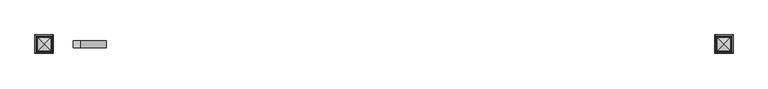
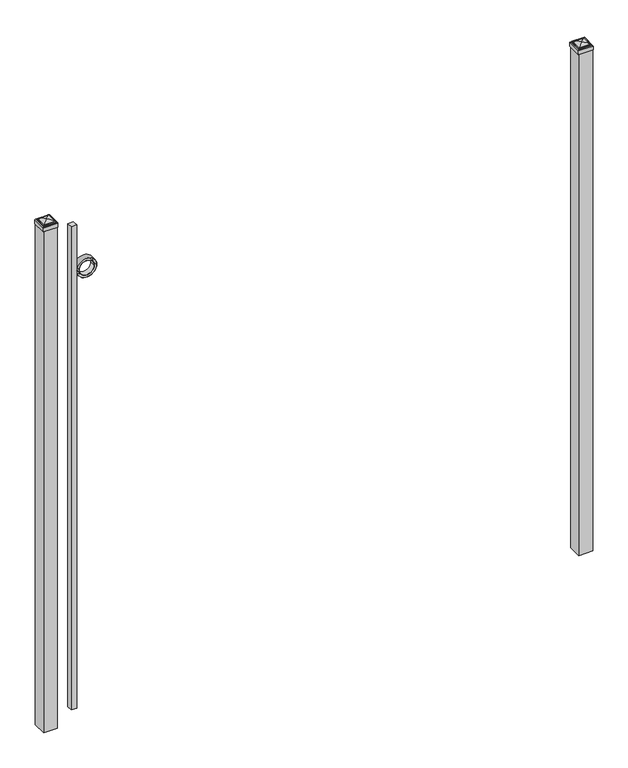
"""IFC4 building model written with IfcOpenShell, lengths in millimetres: railing geometry."""

from ifc_helpers import new_model, si_unit, point, frame, frame_2d, origin, origin_with_axes, place, context, project, spatial, polyline, circle_curve, ellipse_curve, trimmed, segment, composite_curve, outline, extrude, source, transform, mapped, element, save
from ifc_brep_helpers import plane_surface, cylinder_surface, advanced_brep


def railing_fb81a34f(model_context):
    return source(origin(), model_context, "Body", "SolidModel", [
        extrude(outline(polyline([(-23766.6899936, 7333.619541), (-23741.2899936, 7333.619541), (-23741.2899936, 7308.219541), (-23766.6899936, 7308.219541), (-23766.6899936, 7333.619541)])), frame((0.0, 0.0, 50.8), z_axis=(0.0, 0.0, 1.0), x_axis=(1.0, 0.0, 0.0)), (0.0, 0.0, 1.0), 2328.0579232),
        extrude(outline(composite_curve([segment(trimmed(circle_curve(frame_2d((2156.5853669, -23695.1942595)), 45.6988591), [point((2156.5853669, -23649.4954004))], [point((2156.5853669, -23740.8931186))], False, "CARTESIAN"), True, "CONTINUOUS"), segment(trimmed(circle_curve(frame_2d((2156.5853669, -23695.1942595)), 45.6988591), [point((2156.5853669, -23740.8931186))], [point((2156.5853669, -23649.4954004))], False, "CARTESIAN"), True, "CONTINUOUS")], self_intersect=False), holes=[composite_curve([segment(trimmed(circle_curve(frame_2d((2156.5853669, -23695.1942595)), 44.101539), [point((2156.5853669, -23651.0927205))], [point((2156.5853669, -23739.2957985))], True, "CARTESIAN"), True, "CONTINUOUS"), segment(trimmed(circle_curve(frame_2d((2156.5853669, -23695.1942595)), 44.101539), [point((2156.5853669, -23739.2957985))], [point((2156.5853669, -23651.0927205))], True, "CARTESIAN"), True, "CONTINUOUS")], self_intersect=False)]), frame((0.0, 7308.219541, 0.0), z_axis=(0.0, 1.0, 0.0), x_axis=(0.0, 0.0, 1.0)), (0.0, 0.0, 1.0), 25.4),
        extrude(outline(composite_curve([segment(trimmed(circle_curve(frame_2d((2156.5853669, -23695.1942595)), 34.6370762), [point((2156.5853669, -23660.5571833))], [point((2156.5853669, -23729.8313357))], False, "CARTESIAN"), True, "CONTINUOUS"), segment(trimmed(circle_curve(frame_2d((2156.5853669, -23695.1942595)), 34.6370762), [point((2156.5853669, -23729.8313357))], [point((2156.5853669, -23660.5571833))], False, "CARTESIAN"), True, "CONTINUOUS")], self_intersect=False), holes=[composite_curve([segment(trimmed(circle_curve(frame_2d((2156.5853669, -23695.1942595)), 33.0443887), [point((2156.5853669, -23662.1498708))], [point((2156.5853669, -23728.2386482))], True, "CARTESIAN"), True, "CONTINUOUS"), segment(trimmed(circle_curve(frame_2d((2156.5853669, -23695.1942595)), 33.0443887), [point((2156.5853669, -23728.2386482))], [point((2156.5853669, -23662.1498708))], True, "CARTESIAN"), True, "CONTINUOUS")], self_intersect=False)]), frame((0.0, 7308.219541, 0.0), z_axis=(0.0, 1.0, 0.0), x_axis=(0.0, 0.0, 1.0)), (0.0, 0.0, 1.0), 25.4),
        extrude(outline(polyline([(-21401.3149936, 7352.669541), (-21401.3149936, 7289.169541), (-21464.8149936, 7289.169541), (-21464.8149936, 7352.669541), (-21401.3149936, 7352.669541)])), origin_with_axes(), (0.0, 0.0, 1.0), 2414.5875),
        advanced_brep(
        [(-21466.4024936, 7354.257041, 2432.84375), (-21466.4024936, 7354.257041, 2414.5875), (-21466.4024936, 7287.582041, 2414.5875), (-21466.4024936, 7287.582041, 2432.84375), (-21464.0212436, 7351.875791, 2435.225), (-21464.0212436, 7289.963291, 2435.225), (-21461.6399936, 7349.494541, 2437.60625), (-21461.6399936, 7349.494541, 2435.225), (-21461.6399936, 7292.344541, 2435.225), (-21461.6399936, 7292.344541, 2437.60625), (-21459.2587436, 7347.113291, 2439.9875), (-21459.2587436, 7294.725791, 2439.9875), (-21433.0649936, 7320.919541, 2446.3375), (-21456.8774936, 7344.732041, 2439.9875), (-21456.8774936, 7297.107041, 2439.9875), (-21399.7274936, 7287.582041, 2414.5875), (-21399.7274936, 7287.582041, 2432.84375), (-21402.1087436, 7289.963291, 2435.225), (-21404.4899936, 7292.344541, 2435.225), (-21404.4899936, 7292.344541, 2437.60625), (-21406.8712436, 7294.725791, 2439.9875), (-21409.2524936, 7297.107041, 2439.9875), (-21399.7274936, 7354.257041, 2414.5875), (-21399.7274936, 7354.257041, 2432.84375), (-21402.1087436, 7351.875791, 2435.225), (-21404.4899936, 7349.494541, 2435.225), (-21404.4899936, 7349.494541, 2437.60625), (-21406.8712436, 7347.113291, 2439.9875), (-21409.2524936, 7344.732041, 2439.9875)],
        [
            (0, 1),
            (1, 2),
            (2, 3),
            (3, 0),
            (4, 0, ellipse_curve(frame((-21464.0212436, 7351.875791, 2432.84375), z_axis=(-0.70710678118655, -0.7071067811865449, 0.0), x_axis=(-0.7071067811865448, 0.7071067811865501, 0.0)), 3.367596, 2.38125)),
            (3, 5, ellipse_curve(frame((-21464.0212436, 7289.963291, 2432.84375), z_axis=(-0.7071067811865449, 0.70710678118655, 0.0), x_axis=(0.7071067811865499, 0.707106781186545, 0.0)), 3.367596, 2.38125)),
            (5, 4),
            (6, 7),
            (7, 8),
            (8, 9),
            (9, 6),
            (10, 6, ellipse_curve(frame((-21459.2587436, 7347.113291, 2437.60625), z_axis=(-0.70710678118655, -0.7071067811865449, 0.0), x_axis=(-0.7071067811865448, 0.7071067811865501, 0.0)), 3.367596, 2.38125)),
            (9, 11, ellipse_curve(frame((-21459.2587436, 7294.725791, 2437.60625), z_axis=(-0.7071067811865449, 0.70710678118655, 0.0), x_axis=(0.7071067811865499, 0.707106781186545, 0.0)), 3.367596, 2.38125)),
            (11, 10),
            (12, 13, ellipse_curve(frame((-21433.0649936, 7320.919541, 2398.5140625), z_axis=(-0.70710678118655, -0.7071067811865449, 0.0), x_axis=(-0.7071067811865448, 0.7071067811865501, 0.0)), 67.6325539, 47.8234375)),
            (13, 14),
            (14, 12, ellipse_curve(frame((-21433.0649936, 7320.919541, 2398.5140625), z_axis=(-0.7071067811865449, 0.70710678118655, 0.0), x_axis=(0.7071067811865499, 0.707106781186545, 0.0)), 67.6325539, 47.8234375)),
            (2, 15),
            (15, 16),
            (16, 3),
            (16, 17, ellipse_curve(frame((-21402.1087436, 7289.963291, 2432.84375), z_axis=(-0.70710678118655, -0.707106781186545, 0.0), x_axis=(-0.707106781186545, 0.70710678118655, 0.0)), 3.367596, 2.38125)),
            (17, 5),
            (8, 18),
            (18, 19),
            (19, 9),
            (19, 20, ellipse_curve(frame((-21406.8712436, 7294.725791, 2437.60625), z_axis=(-0.70710678118655, -0.707106781186545, 0.0), x_axis=(-0.707106781186545, 0.70710678118655, 0.0)), 3.367596, 2.38125)),
            (20, 11),
            (14, 21),
            (21, 12, ellipse_curve(frame((-21433.0649936, 7320.919541, 2398.5140625), z_axis=(-0.70710678118655, -0.707106781186545, 0.0), x_axis=(-0.707106781186545, 0.70710678118655, 0.0)), 67.6325539, 47.8234375)),
            (15, 22),
            (22, 23),
            (23, 16),
            (23, 24, ellipse_curve(frame((-21402.1087436, 7351.875791, 2432.84375), z_axis=(0.707106781186545, -0.7071067811865499, 0.0), x_axis=(-0.7071067811865497, -0.7071067811865452, 0.0)), 3.367596, 2.38125)),
            (24, 17),
            (18, 25),
            (25, 26),
            (26, 19),
            (26, 27, ellipse_curve(frame((-21406.8712436, 7347.113291, 2437.60625), z_axis=(0.707106781186545, -0.7071067811865499, 0.0), x_axis=(-0.7071067811865497, -0.7071067811865452, 0.0)), 3.367596, 2.38125)),
            (27, 20),
            (21, 28),
            (28, 12, ellipse_curve(frame((-21433.0649936, 7320.919541, 2398.5140625), z_axis=(0.707106781186545, -0.7071067811865499, 0.0), x_axis=(-0.7071067811865497, -0.7071067811865452, 0.0)), 67.6325539, 47.8234375)),
            (22, 1),
            (0, 23),
            (4, 24),
            (7, 25),
            (6, 26),
            (10, 27),
            (13, 28),
        ],
        [
            plane_surface(frame((-21466.4024936, 7354.257041, 2414.5875), z_axis=(-1.0, 0.0, 0.0), x_axis=(0.0, -1.0, 0.0))),
            cylinder_surface(frame((-21464.0212436, 7352.669541, 2432.84375), z_axis=(0.0, 1.0, 0.0), x_axis=(1.0, 0.0, 0.0)), 2.38125),
            plane_surface(frame((-21461.6399936, 7349.494541, 2435.225), z_axis=(-1.0, 0.0, 0.0), x_axis=(0.0, -1.0, 0.0))),
            cylinder_surface(frame((-21459.2587436, 7352.669541, 2437.60625), z_axis=(0.0, 1.0, 0.0), x_axis=(1.0, 0.0, 0.0)), 2.38125),
            cylinder_surface(frame((-21433.0649936, 7352.669541, 2398.5140625), z_axis=(0.0, 1.0, 0.0), x_axis=(1.0, 0.0, 0.0)), 47.8234375),
            plane_surface(frame((-21466.4024936, 7287.582041, 2414.5875), z_axis=(0.0, -1.0, 0.0), x_axis=(1.0, 0.0, 0.0))),
            cylinder_surface(frame((-21464.8149936, 7289.963291, 2432.84375), z_axis=(-1.0, 0.0, 0.0), x_axis=(0.0, 1.0, 0.0)), 2.38125),
            plane_surface(frame((-21461.6399936, 7292.344541, 2435.225), z_axis=(0.0, -1.0, 0.0), x_axis=(1.0, 0.0, 0.0))),
            cylinder_surface(frame((-21464.8149936, 7294.725791, 2437.60625), z_axis=(-1.0, 0.0, 0.0), x_axis=(0.0, 1.0, 0.0)), 2.38125),
            cylinder_surface(frame((-21464.8149936, 7320.919541, 2398.5140625), z_axis=(-1.0, 0.0, 0.0), x_axis=(0.0, 1.0, 0.0)), 47.8234375),
            plane_surface(frame((-21399.7274936, 7287.582041, 2414.5875), z_axis=(1.0, 0.0, 0.0), x_axis=(0.0, 1.0, 0.0))),
            cylinder_surface(frame((-21402.1087436, 7289.169541, 2432.84375), z_axis=(0.0, -1.0, 0.0), x_axis=(-1.0, 0.0, 0.0)), 2.38125),
            plane_surface(frame((-21404.4899936, 7292.344541, 2435.225), z_axis=(1.0, 0.0, 0.0), x_axis=(0.0, 1.0, 0.0))),
            cylinder_surface(frame((-21406.8712436, 7289.169541, 2437.60625), z_axis=(0.0, -1.0, 0.0), x_axis=(-1.0, 0.0, 0.0)), 2.38125),
            cylinder_surface(frame((-21433.0649936, 7289.169541, 2398.5140625), z_axis=(0.0, -1.0, 0.0), x_axis=(-1.0, 0.0, 0.0)), 47.8234375),
            plane_surface(frame((-21399.7274936, 7354.257041, 2414.5875), z_axis=(0.0, 1.0, 0.0), x_axis=(-1.0, 0.0, 0.0))),
            cylinder_surface(frame((-21401.3149936, 7351.875791, 2432.84375), z_axis=(1.0, 0.0, 0.0), x_axis=(0.0, -1.0, 0.0)), 2.38125),
            plane_surface(frame((-21402.1087436, 7351.875791, 2435.225), z_axis=(0.0, 0.0, 1.0), x_axis=(-1.0, 0.0, 0.0))),
            plane_surface(frame((-21404.4899936, 7349.494541, 2435.225), z_axis=(0.0, 1.0, 0.0), x_axis=(-1.0, 0.0, 0.0))),
            cylinder_surface(frame((-21401.3149936, 7347.113291, 2437.60625), z_axis=(1.0, 0.0, 0.0), x_axis=(0.0, -1.0, 0.0)), 2.38125),
            plane_surface(frame((-21406.8712436, 7347.113291, 2439.9875), z_axis=(0.0, 0.0, 1.0), x_axis=(-1.0, 0.0, 0.0))),
            cylinder_surface(frame((-21401.3149936, 7320.919541, 2398.5140625), z_axis=(1.0, 0.0, 0.0), x_axis=(0.0, -1.0, 0.0)), 47.8234375),
            plane_surface(frame((-21433.0649936, 7320.919541, 2414.5875), z_axis=(0.0, 0.0, -1.0), x_axis=(-1.0, 0.0, 0.0))),
        ],
        [
            (0, [[1, 2, 3, 4]]),
            (1, [[5, -4, 6, 7]]),
            (2, [[8, 9, 10, 11]]),
            (3, [[12, -11, 13, 14]]),
            (4, [[15, 16, 17]]),
            (5, [[-3, 18, 19, 20]]),
            (6, [[-6, -20, 21, 22]]),
            (7, [[-10, 23, 24, 25]]),
            (8, [[-13, -25, 26, 27]]),
            (9, [[-17, 28, 29]]),
            (10, [[-19, 30, 31, 32]]),
            (11, [[-21, -32, 33, 34]]),
            (12, [[-24, 35, 36, 37]]),
            (13, [[-26, -37, 38, 39]]),
            (14, [[-29, 40, 41]]),
            (15, [[-31, 42, -1, 43]]),
            (16, [[-33, -43, -5, 44]]),
            (17, [[-22, -34, -44, -7], [45, -35, -23, -9]]),
            (18, [[-36, -45, -8, 46]]),
            (19, [[-38, -46, -12, 47]]),
            (20, [[-27, -39, -47, -14], [48, -40, -28, -16]]),
            (21, [[-41, -48, -15]]),
            (22, [[-42, -30, -18, -2]]),
        ],
    ),
        extrude(outline(polyline([(-23839.7149936, 7352.669541), (-23839.7149936, 7289.169541), (-23903.2149936, 7289.169541), (-23903.2149936, 7352.669541), (-23839.7149936, 7352.669541)])), origin_with_axes(), (0.0, 0.0, 1.0), 2414.5875),
        advanced_brep(
        [(-23904.8024936, 7354.257041, 2432.84375), (-23904.8024936, 7354.257041, 2414.5875), (-23904.8024936, 7287.582041, 2414.5875), (-23904.8024936, 7287.582041, 2432.84375), (-23902.4212436, 7351.875791, 2435.225), (-23902.4212436, 7289.963291, 2435.225), (-23900.0399936, 7349.494541, 2437.60625), (-23900.0399936, 7349.494541, 2435.225), (-23900.0399936, 7292.344541, 2435.225), (-23900.0399936, 7292.344541, 2437.60625), (-23897.6587436, 7347.113291, 2439.9875), (-23897.6587436, 7294.725791, 2439.9875), (-23871.4649936, 7320.919541, 2446.3375), (-23895.2774936, 7344.732041, 2439.9875), (-23895.2774936, 7297.107041, 2439.9875), (-23838.1274936, 7287.582041, 2414.5875), (-23838.1274936, 7287.582041, 2432.84375), (-23840.5087436, 7289.963291, 2435.225), (-23842.8899936, 7292.344541, 2435.225), (-23842.8899936, 7292.344541, 2437.60625), (-23845.2712436, 7294.725791, 2439.9875), (-23847.6524936, 7297.107041, 2439.9875), (-23838.1274936, 7354.257041, 2414.5875), (-23838.1274936, 7354.257041, 2432.84375), (-23840.5087436, 7351.875791, 2435.225), (-23842.8899936, 7349.494541, 2435.225), (-23842.8899936, 7349.494541, 2437.60625), (-23845.2712436, 7347.113291, 2439.9875), (-23847.6524936, 7344.732041, 2439.9875)],
        [
            (0, 1),
            (1, 2),
            (2, 3),
            (3, 0),
            (4, 0, ellipse_curve(frame((-23902.4212436, 7351.875791, 2432.84375), z_axis=(-0.70710678118655, -0.7071067811865449, 0.0), x_axis=(-0.7071067811865448, 0.7071067811865501, 0.0)), 3.367596, 2.38125)),
            (3, 5, ellipse_curve(frame((-23902.4212436, 7289.963291, 2432.84375), z_axis=(-0.7071067811865449, 0.70710678118655, 0.0), x_axis=(0.7071067811865499, 0.707106781186545, 0.0)), 3.367596, 2.38125)),
            (5, 4),
            (6, 7),
            (7, 8),
            (8, 9),
            (9, 6),
            (10, 6, ellipse_curve(frame((-23897.6587436, 7347.113291, 2437.60625), z_axis=(-0.70710678118655, -0.7071067811865449, 0.0), x_axis=(-0.7071067811865448, 0.7071067811865501, 0.0)), 3.367596, 2.38125)),
            (9, 11, ellipse_curve(frame((-23897.6587436, 7294.725791, 2437.60625), z_axis=(-0.7071067811865449, 0.70710678118655, 0.0), x_axis=(0.7071067811865499, 0.707106781186545, 0.0)), 3.367596, 2.38125)),
            (11, 10),
            (12, 13, ellipse_curve(frame((-23871.4649936, 7320.919541, 2398.5140625), z_axis=(-0.70710678118655, -0.7071067811865449, 0.0), x_axis=(-0.7071067811865448, 0.7071067811865501, 0.0)), 67.6325539, 47.8234375)),
            (13, 14),
            (14, 12, ellipse_curve(frame((-23871.4649936, 7320.919541, 2398.5140625), z_axis=(-0.7071067811865449, 0.70710678118655, 0.0), x_axis=(0.7071067811865499, 0.707106781186545, 0.0)), 67.6325539, 47.8234375)),
            (2, 15),
            (15, 16),
            (16, 3),
            (16, 17, ellipse_curve(frame((-23840.5087436, 7289.963291, 2432.84375), z_axis=(-0.70710678118655, -0.707106781186545, 0.0), x_axis=(-0.707106781186545, 0.70710678118655, 0.0)), 3.367596, 2.38125)),
            (17, 5),
            (8, 18),
            (18, 19),
            (19, 9),
            (19, 20, ellipse_curve(frame((-23845.2712436, 7294.725791, 2437.60625), z_axis=(-0.70710678118655, -0.707106781186545, 0.0), x_axis=(-0.707106781186545, 0.70710678118655, 0.0)), 3.367596, 2.38125)),
            (20, 11),
            (14, 21),
            (21, 12, ellipse_curve(frame((-23871.4649936, 7320.919541, 2398.5140625), z_axis=(-0.70710678118655, -0.707106781186545, 0.0), x_axis=(-0.707106781186545, 0.70710678118655, 0.0)), 67.6325539, 47.8234375)),
            (15, 22),
            (22, 23),
            (23, 16),
            (23, 24, ellipse_curve(frame((-23840.5087436, 7351.875791, 2432.84375), z_axis=(0.707106781186545, -0.7071067811865499, 0.0), x_axis=(-0.7071067811865497, -0.7071067811865452, 0.0)), 3.367596, 2.38125)),
            (24, 17),
            (18, 25),
            (25, 26),
            (26, 19),
            (26, 27, ellipse_curve(frame((-23845.2712436, 7347.113291, 2437.60625), z_axis=(0.707106781186545, -0.7071067811865499, 0.0), x_axis=(-0.7071067811865497, -0.7071067811865452, 0.0)), 3.367596, 2.38125)),
            (27, 20),
            (21, 28),
            (28, 12, ellipse_curve(frame((-23871.4649936, 7320.919541, 2398.5140625), z_axis=(0.707106781186545, -0.7071067811865499, 0.0), x_axis=(-0.7071067811865497, -0.7071067811865452, 0.0)), 67.6325539, 47.8234375)),
            (22, 1),
            (0, 23),
            (4, 24),
            (7, 25),
            (6, 26),
            (10, 27),
            (13, 28),
        ],
        [
            plane_surface(frame((-23904.8024936, 7354.257041, 2414.5875), z_axis=(-1.0, 0.0, 0.0), x_axis=(0.0, -1.0, 0.0))),
            cylinder_surface(frame((-23902.4212436, 7352.669541, 2432.84375), z_axis=(0.0, 1.0, 0.0), x_axis=(1.0, 0.0, 0.0)), 2.38125),
            plane_surface(frame((-23900.0399936, 7349.494541, 2435.225), z_axis=(-1.0, 0.0, 0.0), x_axis=(0.0, -1.0, 0.0))),
            cylinder_surface(frame((-23897.6587436, 7352.669541, 2437.60625), z_axis=(0.0, 1.0, 0.0), x_axis=(1.0, 0.0, 0.0)), 2.38125),
            cylinder_surface(frame((-23871.4649936, 7352.669541, 2398.5140625), z_axis=(0.0, 1.0, 0.0), x_axis=(1.0, 0.0, 0.0)), 47.8234375),
            plane_surface(frame((-23904.8024936, 7287.582041, 2414.5875), z_axis=(0.0, -1.0, 0.0), x_axis=(1.0, 0.0, 0.0))),
            cylinder_surface(frame((-23903.2149936, 7289.963291, 2432.84375), z_axis=(-1.0, 0.0, 0.0), x_axis=(0.0, 1.0, 0.0)), 2.38125),
            plane_surface(frame((-23900.0399936, 7292.344541, 2435.225), z_axis=(0.0, -1.0, 0.0), x_axis=(1.0, 0.0, 0.0))),
            cylinder_surface(frame((-23903.2149936, 7294.725791, 2437.60625), z_axis=(-1.0, 0.0, 0.0), x_axis=(0.0, 1.0, 0.0)), 2.38125),
            cylinder_surface(frame((-23903.2149936, 7320.919541, 2398.5140625), z_axis=(-1.0, 0.0, 0.0), x_axis=(0.0, 1.0, 0.0)), 47.8234375),
            plane_surface(frame((-23838.1274936, 7287.582041, 2414.5875), z_axis=(1.0, 0.0, 0.0), x_axis=(0.0, 1.0, 0.0))),
            cylinder_surface(frame((-23840.5087436, 7289.169541, 2432.84375), z_axis=(0.0, -1.0, 0.0), x_axis=(-1.0, 0.0, 0.0)), 2.38125),
            plane_surface(frame((-23842.8899936, 7292.344541, 2435.225), z_axis=(1.0, 0.0, 0.0), x_axis=(0.0, 1.0, 0.0))),
            cylinder_surface(frame((-23845.2712436, 7289.169541, 2437.60625), z_axis=(0.0, -1.0, 0.0), x_axis=(-1.0, 0.0, 0.0)), 2.38125),
            cylinder_surface(frame((-23871.4649936, 7289.169541, 2398.5140625), z_axis=(0.0, -1.0, 0.0), x_axis=(-1.0, 0.0, 0.0)), 47.8234375),
            plane_surface(frame((-23838.1274936, 7354.257041, 2414.5875), z_axis=(0.0, 1.0, 0.0), x_axis=(-1.0, 0.0, 0.0))),
            cylinder_surface(frame((-23839.7149936, 7351.875791, 2432.84375), z_axis=(1.0, 0.0, 0.0), x_axis=(0.0, -1.0, 0.0)), 2.38125),
            plane_surface(frame((-23840.5087436, 7351.875791, 2435.225), z_axis=(0.0, 0.0, 1.0), x_axis=(-1.0, 0.0, 0.0))),
            plane_surface(frame((-23842.8899936, 7349.494541, 2435.225), z_axis=(0.0, 1.0, 0.0), x_axis=(-1.0, 0.0, 0.0))),
            cylinder_surface(frame((-23839.7149936, 7347.113291, 2437.60625), z_axis=(1.0, 0.0, 0.0), x_axis=(0.0, -1.0, 0.0)), 2.38125),
            plane_surface(frame((-23845.2712436, 7347.113291, 2439.9875), z_axis=(0.0, 0.0, 1.0), x_axis=(-1.0, 0.0, 0.0))),
            cylinder_surface(frame((-23839.7149936, 7320.919541, 2398.5140625), z_axis=(1.0, 0.0, 0.0), x_axis=(0.0, -1.0, 0.0)), 47.8234375),
            plane_surface(frame((-23871.4649936, 7320.919541, 2414.5875), z_axis=(0.0, 0.0, -1.0), x_axis=(-1.0, 0.0, 0.0))),
        ],
        [
            (0, [[1, 2, 3, 4]]),
            (1, [[5, -4, 6, 7]]),
            (2, [[8, 9, 10, 11]]),
            (3, [[12, -11, 13, 14]]),
            (4, [[15, 16, 17]]),
            (5, [[-3, 18, 19, 20]]),
            (6, [[-6, -20, 21, 22]]),
            (7, [[-10, 23, 24, 25]]),
            (8, [[-13, -25, 26, 27]]),
            (9, [[-17, 28, 29]]),
            (10, [[-19, 30, 31, 32]]),
            (11, [[-21, -32, 33, 34]]),
            (12, [[-24, 35, 36, 37]]),
            (13, [[-26, -37, 38, 39]]),
            (14, [[-29, 40, 41]]),
            (15, [[-31, 42, -1, 43]]),
            (16, [[-33, -43, -5, 44]]),
            (17, [[-22, -34, -44, -7], [45, -35, -23, -9]]),
            (18, [[-36, -45, -8, 46]]),
            (19, [[-38, -46, -12, 47]]),
            (20, [[-27, -39, -47, -14], [48, -40, -28, -16]]),
            (21, [[-41, -48, -15]]),
            (22, [[-42, -30, -18, -2]]),
        ],
    ),
    ])


if __name__ == "__main__":
    model = new_model("IFC4")
    model_context = context("Model", 3, world=origin())
    ifc_project = project(units=[si_unit("LENGTHUNIT", "METRE", prefix="MILLI")], contexts=[model_context])
    site = spatial("IfcSite", under=ifc_project)
    building = spatial("IfcBuilding", under=site)
    placement = place(None, origin())
    railing_shape = railing_fb81a34f(model_context)
    element("IfcRailing", 1, at=placement, inside=building, context=model_context, shape_type="MappedRepresentation", body=[
        mapped(railing_shape, transform((0.0, 0.0, 0.0), x_axis=(1.0, 0.0, 0.0), y_axis=(0.0, 1.0, 0.0), z_axis=(0.0, 0.0, 1.0))),
    ])
    save(model, "model.ifc")
